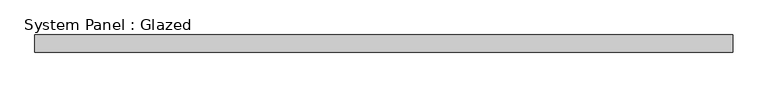
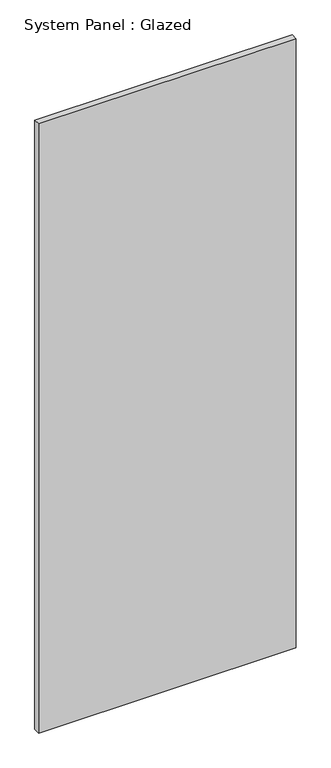
"""IFC4 building model written with IfcOpenShell, lengths in millimetres: plate geometry, System Panel : Glazed."""

from ifc_helpers import new_model, si_unit, origin, origin_with_axes, place, context, project, spatial, polyline, outline, extrude, source, transform, mapped, element, save


def system_panel_glazed_46baef61(model_context):
    return source(origin(), model_context, "Body", "SweptSolid", [
        extrude(outline(polyline([(500.0, -49.5), (-500.0, -49.5), (-500.0, -24.5), (500.0, -24.5), (500.0, -49.5)])), origin_with_axes(), (0.0, 0.0, 1.0), 2500.0),
    ])


if __name__ == "__main__":
    model = new_model("IFC4")
    model_context = context("Model", 3, world=origin())
    ifc_project = project(units=[si_unit("LENGTHUNIT", "METRE", prefix="MILLI")], contexts=[model_context])
    site = spatial("IfcSite", under=ifc_project)
    building = spatial("IfcBuilding", under=site)
    placement = place(None, origin())
    system_panel_glazed_shape = system_panel_glazed_46baef61(model_context)
    element("IfcPlate", 1, ObjectType="System Panel : Glazed", at=placement, inside=building, context=model_context, shape_type="MappedRepresentation", body=[
        mapped(system_panel_glazed_shape, transform((0.0, 0.0, 0.0), x_axis=(1.0, 0.0, 0.0), y_axis=(0.0, 1.0, 0.0), z_axis=(0.0, 0.0, 1.0))),
    ])
    save(model, "model.ifc")
